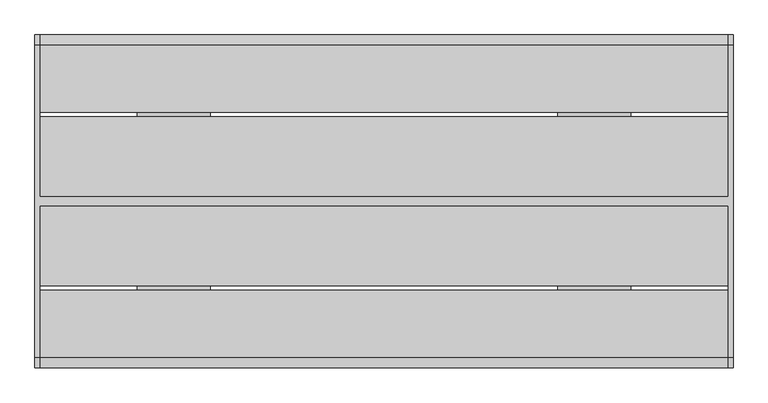
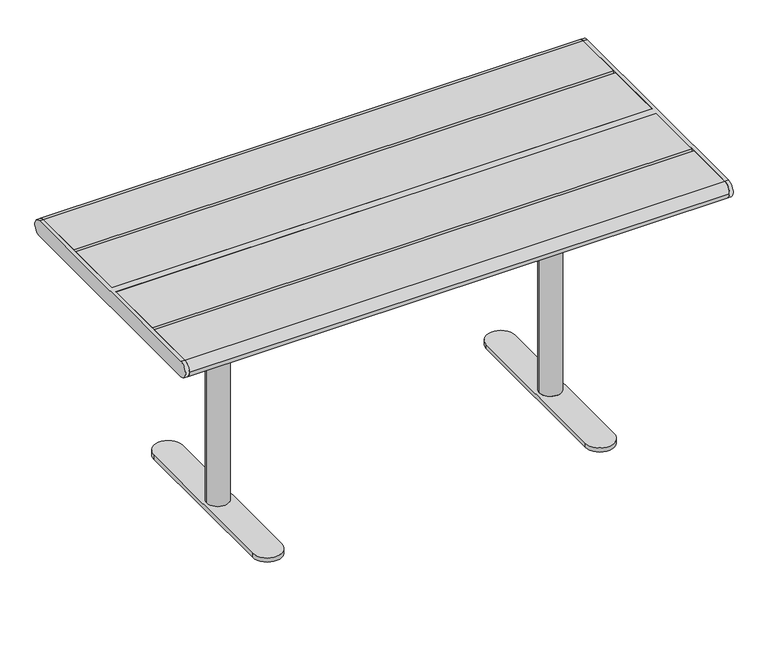
"""IFC4 building model written with IfcOpenShell, lengths in millimetres: furniture geometry."""

from ifc_helpers import new_model, si_unit, point, frame, frame_2d, origin, place, context, project, spatial, polyline, circle_curve, trimmed, segment, composite_curve, outline, extrude, source, transform, mapped, element, save
from ifc_brep_helpers import plane_surface, cylinder_surface, advanced_brep


def furniture_19fb3f19(model_context):
    return source(origin(), model_context, "Body", "SolidModel", [
        advanced_brep(
        [(534.9914087, 125.0, 687.0), (534.9914087, 299.0, 687.0), (534.9914087, 299.0, 695.0), (534.9914087, -299.0, 695.0), (534.9914087, -299.0, 687.0), (534.9914087, -125.0, 687.0), (534.9914087, -125.0, 679.0), (534.9914087, 125.0, 679.0), (384.9914087, 125.0, 687.0), (384.9914087, 299.0, 687.0), (376.9914087, 299.0, 687.0), (376.9914087, 299.0, 695.0), (376.9914087, -299.0, 695.0), (376.9914087, -299.0, 687.0), (384.9914087, -299.0, 687.0), (384.9914087, -125.0, 687.0), (384.9914087, -125.0, 679.0), (384.9914087, 125.0, 679.0), (489.9914087, 0.0, 679.0), (429.9914087, 0.0, 679.0), (376.9914087, 45.0, 644.0), (376.9914087, -45.0, 644.0), (384.9914087, 45.0, 644.0), (384.9914087, -45.0, 644.0), (429.9914087, 0.0, 27.0), (489.9914087, 0.0, 27.0), (499.9914087, -237.0, 27.0), (499.9914087, 237.0, 27.0), (419.9914087, 237.0, 27.0), (419.9914087, -237.0, 27.0), (499.9914087, -237.0, 15.0), (419.9914087, -237.0, 15.0), (419.9914087, 237.0, 15.0), (499.9914087, 237.0, 15.0), (476.9914087, 237.0, 15.0), (442.9914087, 237.0, 15.0), (476.9914087, -237.0, 15.0), (442.9914087, -237.0, 15.0), (476.9914087, 237.0, 0.0), (442.9914087, 237.0, 0.0), (476.9914087, -237.0, 0.0), (442.9914087, -237.0, 0.0)],
        [
            (0, 1),
            (1, 2),
            (2, 3),
            (3, 4),
            (4, 5),
            (5, 6),
            (6, 7),
            (7, 0),
            (0, 8),
            (8, 9),
            (9, 1),
            (9, 10),
            (10, 11),
            (11, 2),
            (11, 12),
            (12, 3),
            (12, 13),
            (13, 14),
            (14, 4),
            (14, 15),
            (15, 5),
            (15, 16),
            (16, 6),
            (16, 17),
            (17, 7),
            (18, 19, circle_curve(frame((459.9914087, 0.0, 679.0), z_axis=(0.0, 0.0, 1.0), x_axis=(-1.0, 0.0, 0.0)), 30.0)),
            (19, 18, circle_curve(frame((459.9914087, 0.0, 679.0), z_axis=(0.0, 0.0, 1.0), x_axis=(-1.0, 0.0, 0.0)), 30.0)),
            (17, 8),
            (20, 21),
            (21, 13),
            (10, 20),
            (22, 9),
            (14, 23),
            (23, 22),
            (22, 20),
            (21, 23),
            (19, 24),
            (24, 25, circle_curve(frame((459.9914087, 0.0, 27.0), z_axis=(0.0, 0.0, 1.0), x_axis=(-1.0, 0.0, 0.0)), 30.0)),
            (25, 18),
            (25, 24, circle_curve(frame((459.9914087, 0.0, 27.0), z_axis=(0.0, 0.0, 1.0), x_axis=(-1.0, 0.0, 0.0)), 30.0)),
            (26, 27),
            (27, 28, circle_curve(frame((459.9914087, 237.0, 27.0), z_axis=(0.0, 0.0, 1.0), x_axis=(0.0, -1.0, 0.0)), 40.0)),
            (28, 29),
            (29, 26, circle_curve(frame((459.9914087, -237.0, 27.0), z_axis=(0.0, 0.0, 1.0), x_axis=(-1.0, 0.0, 0.0)), 40.0)),
            (30, 31, circle_curve(frame((459.9914087, -237.0, 15.0), z_axis=(0.0, 0.0, -1.0), x_axis=(-1.0, 0.0, 0.0)), 40.0)),
            (31, 32),
            (32, 33, circle_curve(frame((459.9914087, 237.0, 15.0), z_axis=(0.0, 0.0, -1.0), x_axis=(0.0, -1.0, 0.0)), 40.0)),
            (33, 30),
            (34, 35, circle_curve(frame((459.9914087, 237.0, 15.0), z_axis=(0.0, 0.0, 1.0), x_axis=(-1.0, 0.0, 0.0)), 17.0)),
            (35, 34, circle_curve(frame((459.9914087, 237.0, 15.0), z_axis=(0.0, 0.0, 1.0), x_axis=(-1.0, 0.0, 0.0)), 17.0)),
            (36, 37, circle_curve(frame((459.9914087, -237.0, 15.0), z_axis=(0.0, 0.0, 1.0), x_axis=(-1.0, 0.0, 0.0)), 17.0)),
            (37, 36, circle_curve(frame((459.9914087, -237.0, 15.0), z_axis=(0.0, 0.0, 1.0), x_axis=(-1.0, 0.0, 0.0)), 17.0)),
            (38, 39, circle_curve(frame((459.9914087, 237.0, 0.0), z_axis=(0.0, 0.0, -1.0), x_axis=(-1.0, 0.0, 0.0)), 17.0)),
            (39, 38, circle_curve(frame((459.9914087, 237.0, 0.0), z_axis=(0.0, 0.0, -1.0), x_axis=(-1.0, 0.0, 0.0)), 17.0)),
            (40, 41, circle_curve(frame((459.9914087, -237.0, 0.0), z_axis=(0.0, 0.0, -1.0), x_axis=(-1.0, 0.0, 0.0)), 17.0)),
            (41, 40, circle_curve(frame((459.9914087, -237.0, 0.0), z_axis=(0.0, 0.0, -1.0), x_axis=(-1.0, 0.0, 0.0)), 17.0)),
            (29, 31),
            (30, 26),
            (28, 32),
            (27, 33),
            (38, 34),
            (35, 39),
            (40, 36),
            (37, 41),
        ],
        [
            plane_surface(frame((534.9914087, 299.0, 687.0), z_axis=(1.0, 0.0, 0.0), x_axis=(0.0, -1.0, 0.0))),
            plane_surface(frame((384.9914087, 125.0, 687.0), z_axis=(0.0, 0.0, -1.0), x_axis=(1.0, 0.0, 0.0))),
            plane_surface(frame((384.9914087, 299.0, 687.0), z_axis=(0.0, 1.0, 0.0), x_axis=(1.0, 0.0, 0.0))),
            plane_surface(frame((384.9914087, 299.0, 695.0), z_axis=(0.0, 0.0, 1.0), x_axis=(1.0, 0.0, 0.0))),
            plane_surface(frame((384.9914087, -299.0, 695.0), z_axis=(0.0, -1.0, 0.0), x_axis=(1.0, 0.0, 0.0))),
            plane_surface(frame((384.9914087, -299.0, 687.0), z_axis=(0.0, 0.0, -1.0), x_axis=(1.0, 0.0, 0.0))),
            plane_surface(frame((384.9914087, -125.0, 687.0), z_axis=(0.0, -1.0, 0.0), x_axis=(1.0, 0.0, 0.0))),
            plane_surface(frame((384.9914087, -125.0, 679.0), z_axis=(0.0, 0.0, -1.0), x_axis=(1.0, 0.0, 0.0))),
            plane_surface(frame((384.9914087, 125.0, 679.0), z_axis=(0.0, 1.0, 0.0), x_axis=(1.0, 0.0, 0.0))),
            plane_surface(frame((376.9914087, 299.0, 687.0), z_axis=(-1.0, 0.0, 0.0), x_axis=(0.0, 0.9859710587294898, 0.1669163603360949))),
            plane_surface(frame((384.9914087, 299.0, 687.0), z_axis=(1.0, 0.0, 0.0), x_axis=(0.0, -0.9859710587294898, -0.1669163603360949))),
            plane_surface(frame((376.9914087, 45.0, 644.0), z_axis=(0.0, 0.1669163603360949, -0.9859710587294898), x_axis=(1.0, 0.0, 0.0))),
            plane_surface(frame((376.9914087, -299.0, 687.0), z_axis=(0.0, -0.16691636033609472, -0.9859710587294899), x_axis=(1.0, 0.0, 0.0))),
            plane_surface(frame((376.9914087, -45.0, 644.0), z_axis=(0.0, 0.0, -1.0), x_axis=(1.0, 0.0, 0.0))),
            cylinder_surface(frame((459.9914087, 0.0, 27.0), z_axis=(0.0, 0.0, 1.0), x_axis=(-1.0, 0.0, 0.0)), 30.0),
            plane_surface(frame((419.9914087, -237.0, 27.0), z_axis=(0.0, 0.0, 1.0), x_axis=(0.0, 1.0, 0.0))),
            plane_surface(frame((419.9914087, -237.0, 15.0), z_axis=(0.0, 0.0, -1.0), x_axis=(0.0, -1.0, 0.0))),
            plane_surface(frame((442.9914087, 237.0, 0.0), z_axis=(0.0, 0.0, -1.0), x_axis=(0.0, -1.0, 0.0))),
            cylinder_surface(frame((459.9914087, -237.0, 15.0), z_axis=(0.0, 0.0, 1.0), x_axis=(-1.0, 0.0, 0.0)), 40.0),
            plane_surface(frame((419.9914087, -237.0, 27.0), z_axis=(-1.0, 0.0, 0.0), x_axis=(0.0, 0.0, -1.0))),
            cylinder_surface(frame((459.9914087, 237.0, 15.0), z_axis=(0.0, 0.0, 1.0), x_axis=(0.0, -1.0, 0.0)), 40.0),
            plane_surface(frame((499.9914087, 237.0, 27.0), z_axis=(1.0, 0.0, 0.0), x_axis=(0.0, 0.0, -1.0))),
            cylinder_surface(frame((459.9914087, 237.0, 0.0), z_axis=(0.0, 0.0, 1.0), x_axis=(-1.0, 0.0, 0.0)), 17.0),
            cylinder_surface(frame((459.9914087, -237.0, 0.0), z_axis=(0.0, 0.0, 1.0), x_axis=(-1.0, 0.0, 0.0)), 17.0),
        ],
        [
            (0, [[1, 2, 3, 4, 5, 6, 7, 8]]),
            (1, [[9, 10, 11, -1]]),
            (2, [[-11, 12, 13, 14, -2]]),
            (3, [[-14, 15, 16, -3]]),
            (4, [[-16, 17, 18, 19, -4]]),
            (5, [[-19, 20, 21, -5]]),
            (6, [[-21, 22, 23, -6]]),
            (7, [[-23, 24, 25, -7], [26, 27]]),
            (8, [[-25, 28, -9, -8]]),
            (9, [[29, 30, -17, -15, -13, 31]]),
            (10, [[32, -10, -28, -24, -22, -20, 33, 34]]),
            (11, [[-12, -32, 35, -31]]),
            (12, [[36, -33, -18, -30]]),
            (13, [[-35, -34, -36, -29]]),
            (14, [[-27, 37, 38, 39]]),
            (14, [[40, -37, -26, -39]]),
            (15, [[41, 42, 43, 44], [-40, -38]]),
            (16, [[45, 46, 47, 48], [49, 50], [51, 52]]),
            (17, [[53, 54]]),
            (17, [[55, 56]]),
            (18, [[57, -45, 58, -44]]),
            (19, [[59, -46, -57, -43]]),
            (20, [[60, -47, -59, -42]]),
            (21, [[-58, -48, -60, -41]]),
            (22, [[61, -50, 62, -53]]),
            (22, [[-62, -49, -61, -54]]),
            (23, [[63, -52, 64, -55]]),
            (23, [[-64, -51, -63, -56]]),
        ],
    ),
        advanced_brep(
        [(-534.9914087, 125.0, 687.0), (-534.9914087, 125.0, 679.0), (-534.9914087, -125.0, 679.0), (-534.9914087, -125.0, 687.0), (-534.9914087, -299.0, 687.0), (-534.9914087, -299.0, 695.0), (-534.9914087, 299.0, 695.0), (-534.9914087, 299.0, 687.0), (-384.9914087, 299.0, 687.0), (-384.9914087, 125.0, 687.0), (-376.9914087, 299.0, 695.0), (-376.9914087, 299.0, 687.0), (-376.9914087, -299.0, 695.0), (-384.9914087, -299.0, 687.0), (-376.9914087, -299.0, 687.0), (-384.9914087, -125.0, 687.0), (-384.9914087, -125.0, 679.0), (-384.9914087, 125.0, 679.0), (-489.9914087, 0.0, 679.0), (-429.9914087, 0.0, 679.0), (-376.9914087, 45.0, 644.0), (-376.9914087, -45.0, 644.0), (-384.9914087, 45.0, 644.0), (-384.9914087, -45.0, 644.0), (-489.9914087, 0.0, 27.0), (-429.9914087, 0.0, 27.0), (-499.9914087, -237.0, 27.0), (-419.9914087, -237.0, 27.0), (-419.9914087, 237.0, 27.0), (-499.9914087, 237.0, 27.0), (-499.9914087, -237.0, 15.0), (-499.9914087, 237.0, 15.0), (-419.9914087, 237.0, 15.0), (-419.9914087, -237.0, 15.0), (-476.9914087, 237.0, 15.0), (-442.9914087, 237.0, 15.0), (-476.9914087, -237.0, 15.0), (-442.9914087, -237.0, 15.0), (-476.9914087, 237.0, 0.0), (-442.9914087, 237.0, 0.0), (-476.9914087, -237.0, 0.0), (-442.9914087, -237.0, 0.0)],
        [
            (0, 1),
            (1, 2),
            (2, 3),
            (3, 4),
            (4, 5),
            (5, 6),
            (6, 7),
            (7, 0),
            (7, 8),
            (8, 9),
            (9, 0),
            (6, 10),
            (10, 11),
            (11, 8),
            (5, 12),
            (12, 10),
            (4, 13),
            (13, 14),
            (14, 12),
            (3, 15),
            (15, 13),
            (2, 16),
            (16, 15),
            (1, 17),
            (17, 16),
            (18, 19, circle_curve(frame((-459.9914087, 0.0, 679.0), z_axis=(0.0, 0.0, 1.0), x_axis=(1.0, 0.0, 0.0)), 30.0)),
            (19, 18, circle_curve(frame((-459.9914087, 0.0, 679.0), z_axis=(0.0, 0.0, 1.0), x_axis=(1.0, 0.0, 0.0)), 30.0)),
            (9, 17),
            (20, 11),
            (14, 21),
            (21, 20),
            (22, 23),
            (23, 13),
            (8, 22),
            (20, 22),
            (23, 21),
            (18, 24),
            (24, 25, circle_curve(frame((-459.9914087, 0.0, 27.0), z_axis=(0.0, 0.0, 1.0), x_axis=(1.0, 0.0, 0.0)), 30.0)),
            (25, 19),
            (25, 24, circle_curve(frame((-459.9914087, 0.0, 27.0), z_axis=(0.0, 0.0, 1.0), x_axis=(1.0, 0.0, 0.0)), 30.0)),
            (26, 27, circle_curve(frame((-459.9914087, -237.0, 27.0), z_axis=(0.0, 0.0, 1.0), x_axis=(1.0, 0.0, 0.0)), 40.0)),
            (27, 28),
            (28, 29, circle_curve(frame((-459.9914087, 237.0, 27.0), z_axis=(0.0, 0.0, 1.0), x_axis=(0.0, -1.0, 0.0)), 40.0)),
            (29, 26),
            (30, 31),
            (31, 32, circle_curve(frame((-459.9914087, 237.0, 15.0), z_axis=(0.0, 0.0, -1.0), x_axis=(0.0, -1.0, 0.0)), 40.0)),
            (32, 33),
            (33, 30, circle_curve(frame((-459.9914087, -237.0, 15.0), z_axis=(0.0, 0.0, -1.0), x_axis=(1.0, 0.0, 0.0)), 40.0)),
            (34, 35, circle_curve(frame((-459.9914087, 237.0, 15.0), z_axis=(0.0, 0.0, 1.0), x_axis=(1.0, 0.0, 0.0)), 17.0)),
            (35, 34, circle_curve(frame((-459.9914087, 237.0, 15.0), z_axis=(0.0, 0.0, 1.0), x_axis=(1.0, 0.0, 0.0)), 17.0)),
            (36, 37, circle_curve(frame((-459.9914087, -237.0, 15.0), z_axis=(0.0, 0.0, 1.0), x_axis=(1.0, 0.0, 0.0)), 17.0)),
            (37, 36, circle_curve(frame((-459.9914087, -237.0, 15.0), z_axis=(0.0, 0.0, 1.0), x_axis=(1.0, 0.0, 0.0)), 17.0)),
            (38, 39, circle_curve(frame((-459.9914087, 237.0, 0.0), z_axis=(0.0, 0.0, -1.0), x_axis=(1.0, 0.0, 0.0)), 17.0)),
            (39, 38, circle_curve(frame((-459.9914087, 237.0, 0.0), z_axis=(0.0, 0.0, -1.0), x_axis=(1.0, 0.0, 0.0)), 17.0)),
            (40, 41, circle_curve(frame((-459.9914087, -237.0, 0.0), z_axis=(0.0, 0.0, -1.0), x_axis=(1.0, 0.0, 0.0)), 17.0)),
            (41, 40, circle_curve(frame((-459.9914087, -237.0, 0.0), z_axis=(0.0, 0.0, -1.0), x_axis=(1.0, 0.0, 0.0)), 17.0)),
            (26, 30),
            (33, 27),
            (32, 28),
            (31, 29),
            (39, 35),
            (34, 38),
            (41, 37),
            (36, 40),
        ],
        [
            plane_surface(frame((-534.9914087, 299.0, 687.0), z_axis=(-1.0, 0.0, 0.0), x_axis=(0.0, -1.0, 0.0))),
            plane_surface(frame((-384.9914087, 125.0, 687.0), z_axis=(0.0, 0.0, -1.0), x_axis=(-1.0, 0.0, 0.0))),
            plane_surface(frame((-384.9914087, 299.0, 687.0), z_axis=(0.0, 1.0, 0.0), x_axis=(-1.0, 0.0, 0.0))),
            plane_surface(frame((-384.9914087, 299.0, 695.0), z_axis=(0.0, 0.0, 1.0), x_axis=(-1.0, 0.0, 0.0))),
            plane_surface(frame((-384.9914087, -299.0, 695.0), z_axis=(0.0, -1.0, 0.0), x_axis=(-1.0, 0.0, 0.0))),
            plane_surface(frame((-384.9914087, -299.0, 687.0), z_axis=(0.0, 0.0, -1.0), x_axis=(-1.0, 0.0, 0.0))),
            plane_surface(frame((-384.9914087, -125.0, 687.0), z_axis=(0.0, -1.0, 0.0), x_axis=(-1.0, 0.0, 0.0))),
            plane_surface(frame((-384.9914087, -125.0, 679.0), z_axis=(0.0, 0.0, -1.0), x_axis=(-1.0, 0.0, 0.0))),
            plane_surface(frame((-384.9914087, 125.0, 679.0), z_axis=(0.0, 1.0, 0.0), x_axis=(-1.0, 0.0, 0.0))),
            plane_surface(frame((-376.9914087, 299.0, 687.0), z_axis=(1.0, 0.0, 0.0), x_axis=(0.0, 0.9859710587294898, 0.1669163603360949))),
            plane_surface(frame((-384.9914087, 299.0, 687.0), z_axis=(-1.0, 0.0, 0.0), x_axis=(0.0, -0.9859710587294898, -0.1669163603360949))),
            plane_surface(frame((-376.9914087, 45.0, 644.0), z_axis=(0.0, 0.1669163603360949, -0.9859710587294898), x_axis=(-1.0, 0.0, 0.0))),
            plane_surface(frame((-376.9914087, -299.0, 687.0), z_axis=(0.0, -0.16691636033609472, -0.9859710587294899), x_axis=(-1.0, 0.0, 0.0))),
            plane_surface(frame((-376.9914087, -45.0, 644.0), z_axis=(0.0, 0.0, -1.0), x_axis=(-1.0, 0.0, 0.0))),
            cylinder_surface(frame((-459.9914087, 0.0, 27.0), z_axis=(0.0, 0.0, 1.0), x_axis=(1.0, 0.0, 0.0)), 30.0),
            plane_surface(frame((-419.9914087, -237.0, 27.0), z_axis=(0.0, 0.0, 1.0), x_axis=(0.0, 1.0, 0.0))),
            plane_surface(frame((-419.9914087, -237.0, 15.0), z_axis=(0.0, 0.0, -1.0), x_axis=(0.0, -1.0, 0.0))),
            plane_surface(frame((-442.9914087, 237.0, 0.0), z_axis=(0.0, 0.0, -1.0), x_axis=(0.0, -1.0, 0.0))),
            cylinder_surface(frame((-459.9914087, -237.0, 15.0), z_axis=(0.0, 0.0, 1.0), x_axis=(1.0, 0.0, 0.0)), 40.0),
            plane_surface(frame((-419.9914087, -237.0, 27.0), z_axis=(1.0, 0.0, 0.0), x_axis=(0.0, 0.0, -1.0))),
            cylinder_surface(frame((-459.9914087, 237.0, 15.0), z_axis=(0.0, 0.0, 1.0), x_axis=(0.0, -1.0, 0.0)), 40.0),
            plane_surface(frame((-499.9914087, 237.0, 27.0), z_axis=(-1.0, 0.0, 0.0), x_axis=(0.0, 0.0, -1.0))),
            cylinder_surface(frame((-459.9914087, 237.0, 0.0), z_axis=(0.0, 0.0, 1.0), x_axis=(1.0, 0.0, 0.0)), 17.0),
            cylinder_surface(frame((-459.9914087, -237.0, 0.0), z_axis=(0.0, 0.0, 1.0), x_axis=(1.0, 0.0, 0.0)), 17.0),
        ],
        [
            (0, [[1, 2, 3, 4, 5, 6, 7, 8]]),
            (1, [[-8, 9, 10, 11]]),
            (2, [[-7, 12, 13, 14, -9]]),
            (3, [[-6, 15, 16, -12]]),
            (4, [[-5, 17, 18, 19, -15]]),
            (5, [[-4, 20, 21, -17]]),
            (6, [[-3, 22, 23, -20]]),
            (7, [[-2, 24, 25, -22], [26, 27]]),
            (8, [[-1, -11, 28, -24]]),
            (9, [[29, -13, -16, -19, 30, 31]]),
            (10, [[32, 33, -21, -23, -25, -28, -10, 34]]),
            (11, [[-29, 35, -34, -14]]),
            (12, [[-30, -18, -33, 36]]),
            (13, [[-31, -36, -32, -35]]),
            (14, [[37, 38, 39, -26]]),
            (14, [[-37, -27, -39, 40]]),
            (15, [[41, 42, 43, 44], [-38, -40]]),
            (16, [[45, 46, 47, 48], [49, 50], [51, 52]]),
            (17, [[53, 54]]),
            (17, [[55, 56]]),
            (18, [[-41, 57, -48, 58]]),
            (19, [[-42, -58, -47, 59]]),
            (20, [[-43, -59, -46, 60]]),
            (21, [[-44, -60, -45, -57]]),
            (22, [[-54, 61, -49, 62]]),
            (22, [[-53, -62, -50, -61]]),
            (23, [[-56, 63, -51, 64]]),
            (23, [[-55, -64, -52, -63]]),
        ],
    ),
        advanced_brep(
        [(757.0, 338.5, 740.0), (757.0, -338.5, 740.0), (757.0, -338.5, 695.0), (757.0, 338.5, 695.0), (747.0, 338.5, 740.0), (747.0, 338.5, 695.0), (747.0, 10.0, 695.0), (747.0, 10.0, 740.0), (747.0, -338.5, 695.0), (747.0, -338.5, 740.0), (747.0, -10.0, 740.0), (747.0, -10.0, 695.0), (-747.0, 10.0, 740.0), (-747.0, 338.5, 740.0), (-757.0, 338.5, 740.0), (-757.0, -338.5, 740.0), (-747.0, -338.5, 740.0), (-747.0, -10.0, 740.0), (-747.0, -10.0, 695.0), (-747.0, -338.5, 695.0), (-757.0, -338.5, 695.0), (-757.0, 338.5, 695.0), (-747.0, 338.5, 695.0), (-747.0, 10.0, 695.0)],
        [
            (0, 1),
            (1, 2, circle_curve(frame((757.0, -338.5, 717.5), z_axis=(1.0, 0.0, 0.0), x_axis=(0.0, -1.0, 0.0)), 22.5)),
            (2, 3),
            (3, 0, circle_curve(frame((757.0, 338.5, 717.5), z_axis=(1.0, 0.0, 0.0), x_axis=(0.0, -1.0, 0.0)), 22.5)),
            (4, 5, circle_curve(frame((747.0, 338.5, 717.5), z_axis=(-1.0, 0.0, 0.0), x_axis=(0.0, -1.0, 0.0)), 22.5)),
            (5, 6),
            (6, 7),
            (7, 4),
            (8, 9, circle_curve(frame((747.0, -338.5, 717.5), z_axis=(-1.0, 0.0, 0.0), x_axis=(0.0, -1.0, 0.0)), 22.5)),
            (9, 10),
            (10, 11),
            (11, 8),
            (0, 4),
            (7, 12),
            (12, 13),
            (13, 14),
            (14, 15),
            (15, 16),
            (16, 17),
            (17, 10),
            (9, 1),
            (8, 2),
            (11, 18),
            (18, 19),
            (19, 20),
            (20, 21),
            (21, 22),
            (22, 23),
            (23, 6),
            (5, 3),
            (17, 18),
            (23, 12),
            (16, 19, circle_curve(frame((-747.0, -338.5, 717.5), z_axis=(1.0, 0.0, 0.0), x_axis=(0.0, -1.0, 0.0)), 22.5)),
            (22, 13, circle_curve(frame((-747.0, 338.5, 717.5), z_axis=(1.0, 0.0, 0.0), x_axis=(0.0, -1.0, 0.0)), 22.5)),
            (14, 21, circle_curve(frame((-757.0, 338.5, 717.5), z_axis=(-1.0, 0.0, 0.0), x_axis=(0.0, -1.0, 0.0)), 22.5)),
            (20, 15, circle_curve(frame((-757.0, -338.5, 717.5), z_axis=(-1.0, 0.0, 0.0), x_axis=(0.0, -1.0, 0.0)), 22.5)),
        ],
        [
            plane_surface(frame((757.0, -338.5, 740.0), z_axis=(1.0, 0.0, 0.0), x_axis=(0.0, -1.0, 0.0))),
            plane_surface(frame((747.0, -338.5, 740.0), z_axis=(-1.0, 0.0, 0.0), x_axis=(0.0, 1.0, 0.0))),
            plane_surface(frame((757.0, 338.5, 740.0), z_axis=(0.0, 0.0, 1.0), x_axis=(-1.0, 0.0, 0.0))),
            cylinder_surface(frame((747.0, -338.5, 717.5), z_axis=(1.0, 0.0, 0.0), x_axis=(0.0, -1.0, 0.0)), 22.5),
            plane_surface(frame((757.0, -338.5, 695.0), z_axis=(0.0, 0.0, -1.0), x_axis=(-1.0, 0.0, 0.0))),
            cylinder_surface(frame((747.0, 338.5, 717.5), z_axis=(1.0, 0.0, 0.0), x_axis=(0.0, -1.0, 0.0)), 22.5),
            plane_surface(frame((747.0, -10.0, 740.0), z_axis=(0.0, -1.0, 0.0), x_axis=(-1.0, 0.0, 0.0))),
            plane_surface(frame((747.0, 10.0, 695.0), z_axis=(0.0, 1.0, 0.0), x_axis=(-1.0, 0.0, 0.0))),
            plane_surface(frame((-747.0, -338.5, 740.0), z_axis=(1.0, 0.0, 0.0), x_axis=(0.0, -1.0, 0.0))),
            plane_surface(frame((-757.0, -338.5, 740.0), z_axis=(-1.0, 0.0, 0.0), x_axis=(0.0, 1.0, 0.0))),
            cylinder_surface(frame((-757.0, -338.5, 717.5), z_axis=(1.0, 0.0, 0.0), x_axis=(0.0, -1.0, 0.0)), 22.5),
            cylinder_surface(frame((-757.0, 338.5, 717.5), z_axis=(1.0, 0.0, 0.0), x_axis=(0.0, -1.0, 0.0)), 22.5),
        ],
        [
            (0, [[1, 2, 3, 4]]),
            (1, [[5, 6, 7, 8]]),
            (1, [[9, 10, 11, 12]]),
            (2, [[-1, 13, -8, 14, 15, 16, 17, 18, 19, 20, -10, 21]]),
            (3, [[-2, -21, -9, 22]]),
            (4, [[-3, -22, -12, 23, 24, 25, 26, 27, 28, 29, -6, 30]]),
            (5, [[-4, -30, -5, -13]]),
            (6, [[-20, 31, -23, -11]]),
            (7, [[-29, 32, -14, -7]]),
            (8, [[33, -24, -31, -19]]),
            (8, [[34, -15, -32, -28]]),
            (9, [[35, -26, 36, -17]]),
            (10, [[-33, -18, -36, -25]]),
            (11, [[-34, -27, -35, -16]]),
        ],
    ),
        extrude(outline(composite_curve([segment(trimmed(circle_curve(frame_2d((338.5, 717.5)), 22.5), [point((338.5, 740.0))], [point((338.5, 695.0))], False, "CARTESIAN"), True, "CONTINUOUS"), segment(polyline([(338.5, 695.0), (193.0, 695.0), (193.0, 740.0), (338.5, 740.0)]), True, "CONTINUOUS")], self_intersect=False)), frame((-747.0, 0.0, 0.0), z_axis=(1.0, 0.0, 0.0), x_axis=(0.0, 1.0, 0.0)), (0.0, 0.0, 1.0), 1494.0),
        extrude(outline(composite_curve([segment(polyline([(-193.0, 695.0), (-338.5, 695.0)]), True, "CONTINUOUS"), segment(trimmed(circle_curve(frame_2d((-338.5, 717.5)), 22.5), [point((-338.5, 695.0))], [point((-361.0, 717.5))], False, "CARTESIAN"), True, "CONTINUOUS"), segment(trimmed(circle_curve(frame_2d((-338.5, 717.5)), 22.5), [point((-361.0, 717.5))], [point((-338.5, 740.0))], False, "CARTESIAN"), True, "CONTINUOUS"), segment(polyline([(-338.5, 740.0), (-193.0, 740.0), (-193.0, 695.0)]), True, "CONTINUOUS")], self_intersect=False)), frame((-747.0, 0.0, 0.0), z_axis=(1.0, 0.0, 0.0), x_axis=(0.0, 1.0, 0.0)), (0.0, 0.0, 1.0), 1494.0),
        extrude(outline(polyline([(747.0, 183.0), (747.0, 10.0), (-747.0, 10.0), (-747.0, 183.0), (747.0, 183.0)])), frame((0.0, 0.0, 695.0), z_axis=(0.0, 0.0, 1.0), x_axis=(1.0, 0.0, 0.0)), (0.0, 0.0, 1.0), 45.0),
        extrude(outline(polyline([(747.0, -10.0), (747.0, -183.0), (-747.0, -183.0), (-747.0, -10.0), (747.0, -10.0)])), frame((0.0, 0.0, 695.0), z_axis=(0.0, 0.0, 1.0), x_axis=(1.0, 0.0, 0.0)), (0.0, 0.0, 1.0), 45.0),
    ])


if __name__ == "__main__":
    model = new_model("IFC4")
    model_context = context("Model", 3, world=origin())
    ifc_project = project(units=[si_unit("LENGTHUNIT", "METRE", prefix="MILLI")], contexts=[model_context])
    site = spatial("IfcSite", under=ifc_project)
    building = spatial("IfcBuilding", under=site)
    placement = place(None, origin())
    furniture_shape = furniture_19fb3f19(model_context)
    element("IfcFurniture", 1, at=placement, inside=building, context=model_context, shape_type="MappedRepresentation", body=[
        mapped(furniture_shape, transform((0.0, 0.0, 0.0), x_axis=(1.0, 0.0, 0.0), y_axis=(0.0, 1.0, 0.0), z_axis=(0.0, 0.0, 1.0))),
    ])
    save(model, "model.ifc")
